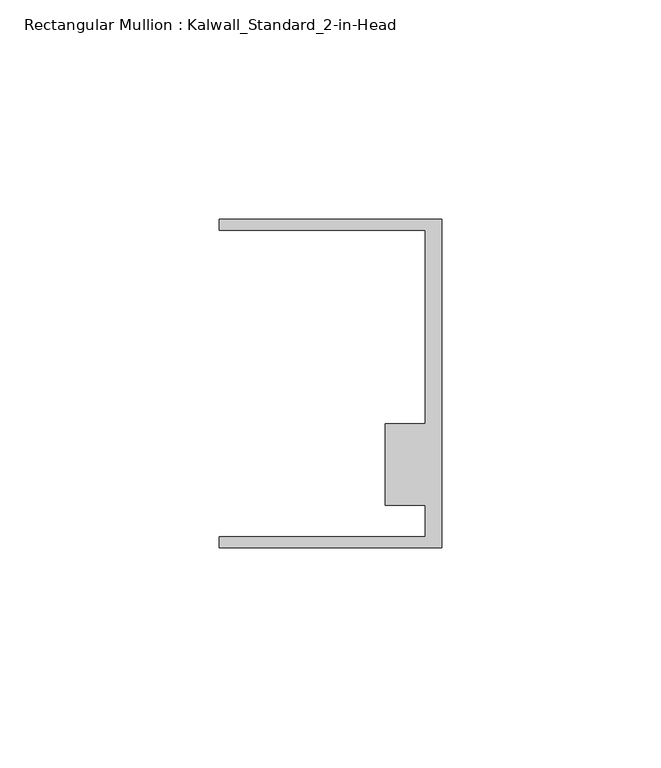
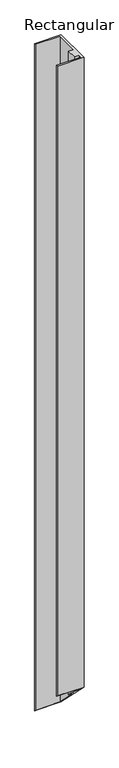
"""IFC4 building model written with IfcOpenShell, lengths in millimetres: member geometry, Rectangular Mullion : Kalwall_Standard_2-in-Head."""

from ifc_helpers import new_model, si_unit, origin, place, context, project, spatial, faceted_brep, source, transform, mapped, element, save


def rectangular_mullion_kalwall_standard_2_in_head_83c24dcd(model_context):
    return source(origin(), model_context, "Body", "Brep", [
        faceted_brep([(0.0, -37.5776386, 0.0), (0.0, 37.5023614, 0.0), (-50.8, 37.5023614, 0.0), (-50.8, 34.9623614, 0.0), (-3.7084, 34.9623614, 0.0), (-3.7084, -9.1879886, 0.0), (-12.8272539, -9.1879886, 0.0), (-12.8272539, -27.8888568, 0.0), (-3.7084, -27.8888568, 0.0), (-3.7084, -35.0376386, 0.0), (-50.8, -35.0376386, 0.0), (-50.8, -37.5776386, 0.0), (0.0, -37.5776386, -1272.1743617), (0.0, 37.5023614, -1347.2543617), (-50.8, 37.5023614, -1347.2543617), (-50.8, 34.9623614, -1344.7143617), (-3.7084, 34.9623614, -1344.7143617), (-3.7084, -9.1879886, -1300.5640117), (-12.8272539, -9.1879886, -1300.5640117), (-12.8272539, -27.8888568, -1281.8631435), (-3.7084, -27.8888568, -1281.8631435), (-3.7084, -35.0376386, -1274.7143617), (-50.8, -35.0376386, -1274.7143617), (-50.8, -37.5776386, -1272.1743617)], [[[0, 1, 2, 3, 4, 5, 6, 7, 8, 9, 10, 11]], [[1, 0, 12, 13]], [[2, 1, 13, 14]], [[3, 2, 14, 15]], [[4, 3, 15, 16]], [[5, 4, 16, 17]], [[6, 5, 17, 18]], [[7, 6, 18, 19]], [[8, 7, 19, 20]], [[9, 8, 20, 21]], [[10, 9, 21, 22]], [[11, 10, 22, 23]], [[0, 11, 23, 12]], [[12, 23, 22, 21, 20, 19, 18, 17, 16, 15, 14, 13]]]),
    ])


if __name__ == "__main__":
    model = new_model("IFC4")
    model_context = context("Model", 3, world=origin())
    ifc_project = project(units=[si_unit("LENGTHUNIT", "METRE", prefix="MILLI")], contexts=[model_context])
    site = spatial("IfcSite", under=ifc_project)
    building = spatial("IfcBuilding", under=site)
    placement = place(None, origin())
    rectangular_mullion_kalwall_standard_2_in_head_shape = rectangular_mullion_kalwall_standard_2_in_head_83c24dcd(model_context)
    element("IfcMember", 1, ObjectType="Rectangular Mullion : Kalwall_Standard_2-in-Head", at=placement, inside=building, context=model_context, shape_type="MappedRepresentation", body=[
        mapped(rectangular_mullion_kalwall_standard_2_in_head_shape, transform((0.0, 0.0, 0.0), x_axis=(1.0, 0.0, 0.0), y_axis=(0.0, 1.0, 0.0), z_axis=(0.0, 0.0, 1.0))),
    ])
    save(model, "model.ifc")
